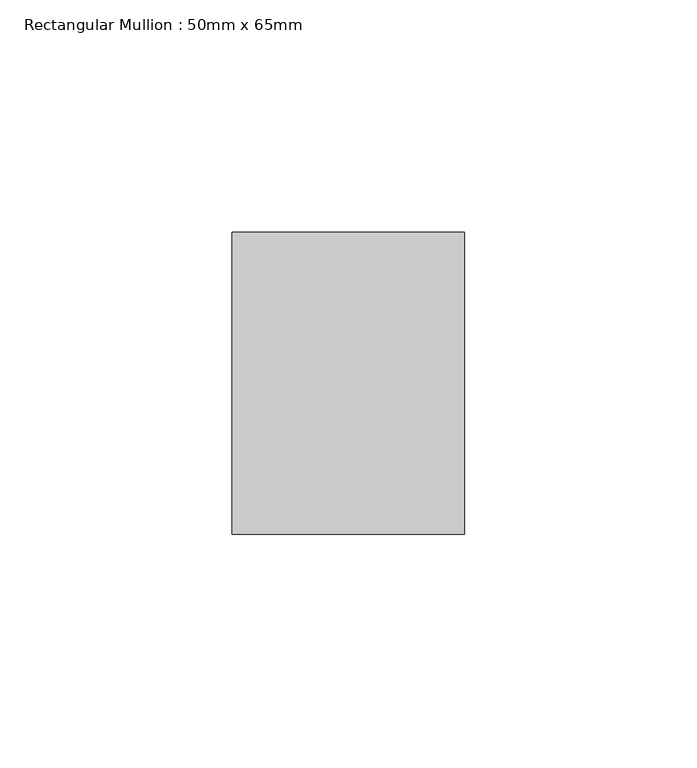
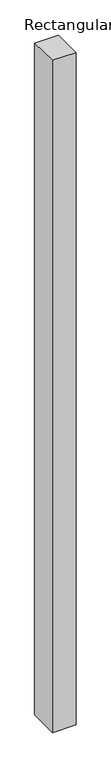
"""IFC4 building model written with IfcOpenShell, lengths in millimetres: member geometry, Rectangular Mullion : 50mm x 65mm."""

from ifc_helpers import new_model, si_unit, origin, place, context, project, spatial, faceted_brep, source, transform, mapped, element, save


def rectangular_mullion_50mm_x_65mm_ad762653(model_context):
    return source(origin(), model_context, "Body", "Brep", [
        faceted_brep([(-25.0, 32.5, -0.4966785), (25.0, 32.5, -0.4966772), (25.0, 32.5, -1499.5925356), (-25.0, 32.5, -1499.5925345), (-25.0, -32.5, 0.4966772), (-25.0, -32.5, -1500.4071868), (25.0, -32.5, 0.4966785), (25.0, -32.5, -1500.4071879)], [[[0, 1, 2, 3]], [[4, 0, 3, 5]], [[6, 4, 5, 7]], [[1, 6, 7, 2]], [[1, 0, 4, 6]], [[2, 7, 5, 3]]]),
    ])


if __name__ == "__main__":
    model = new_model("IFC4")
    model_context = context("Model", 3, world=origin())
    ifc_project = project(units=[si_unit("LENGTHUNIT", "METRE", prefix="MILLI")], contexts=[model_context])
    site = spatial("IfcSite", under=ifc_project)
    building = spatial("IfcBuilding", under=site)
    placement = place(None, origin())
    rectangular_mullion_50mm_x_65mm_shape = rectangular_mullion_50mm_x_65mm_ad762653(model_context)
    element("IfcMember", 1, ObjectType="Rectangular Mullion : 50mm x 65mm", at=placement, inside=building, context=model_context, shape_type="MappedRepresentation", body=[
        mapped(rectangular_mullion_50mm_x_65mm_shape, transform((0.0, 0.0, 0.0), x_axis=(1.0, 0.0, 0.0), y_axis=(0.0, 1.0, 0.0), z_axis=(0.0, 0.0, 1.0))),
    ])
    save(model, "model.ifc")
